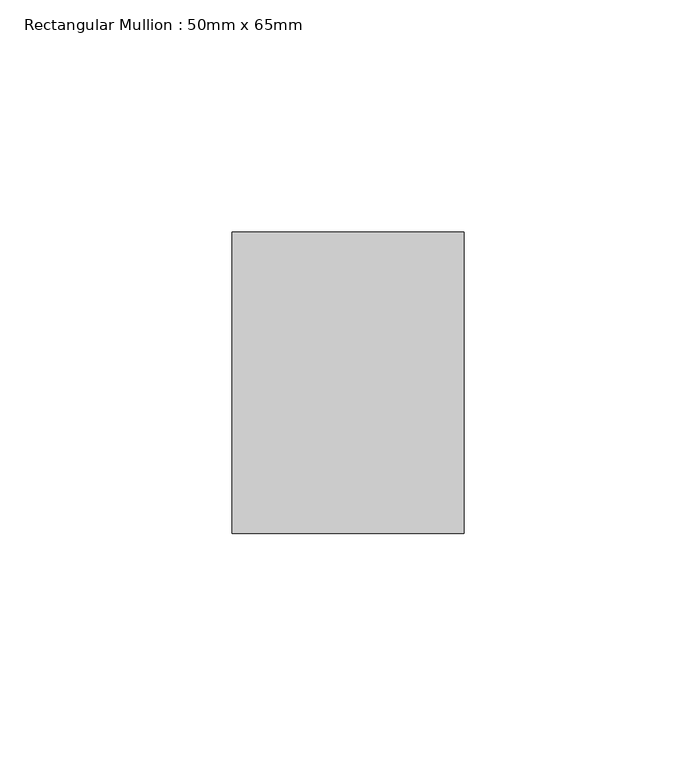
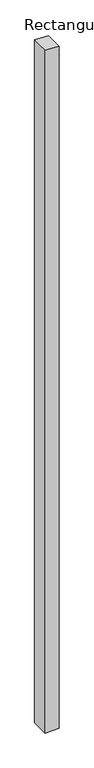
"""IFC4 building model written with IfcOpenShell, lengths in millimetres: member geometry, Rectangular Mullion : 50mm x 65mm."""

from ifc_helpers import new_model, si_unit, origin, place, context, project, spatial, faceted_brep, source, transform, mapped, element, save


def rectangular_mullion_50mm_x_65mm_8489267f(model_context):
    return source(origin(), model_context, "Body", "Brep", [
        faceted_brep([(25.0, 32.5, -2579.1176832), (25.0, -32.5, -2579.1176832), (-25.0, -32.5, -2579.1176832), (-25.0, 32.5, -2579.1176832), (-25.0, 32.5, 2.0727313), (25.0, 32.5, -0.312648), (-25.0, -32.5, 0.312648), (25.0, -32.5, -2.0727313)], [[[0, 1, 2, 3]], [[4, 5, 0, 3]], [[6, 4, 3, 2]], [[7, 6, 2, 1]], [[5, 7, 1, 0]], [[5, 4, 6, 7]]]),
    ])


if __name__ == "__main__":
    model = new_model("IFC4")
    model_context = context("Model", 3, world=origin())
    ifc_project = project(units=[si_unit("LENGTHUNIT", "METRE", prefix="MILLI")], contexts=[model_context])
    site = spatial("IfcSite", under=ifc_project)
    building = spatial("IfcBuilding", under=site)
    placement = place(None, origin())
    rectangular_mullion_50mm_x_65mm_shape = rectangular_mullion_50mm_x_65mm_8489267f(model_context)
    element("IfcMember", 1, ObjectType="Rectangular Mullion : 50mm x 65mm", at=placement, inside=building, context=model_context, shape_type="MappedRepresentation", body=[
        mapped(rectangular_mullion_50mm_x_65mm_shape, transform((0.0, 0.0, 0.0), x_axis=(1.0, 0.0, 0.0), y_axis=(0.0, 1.0, 0.0), z_axis=(0.0, 0.0, 1.0))),
    ])
    save(model, "model.ifc")
